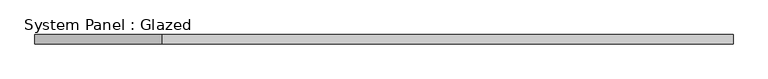
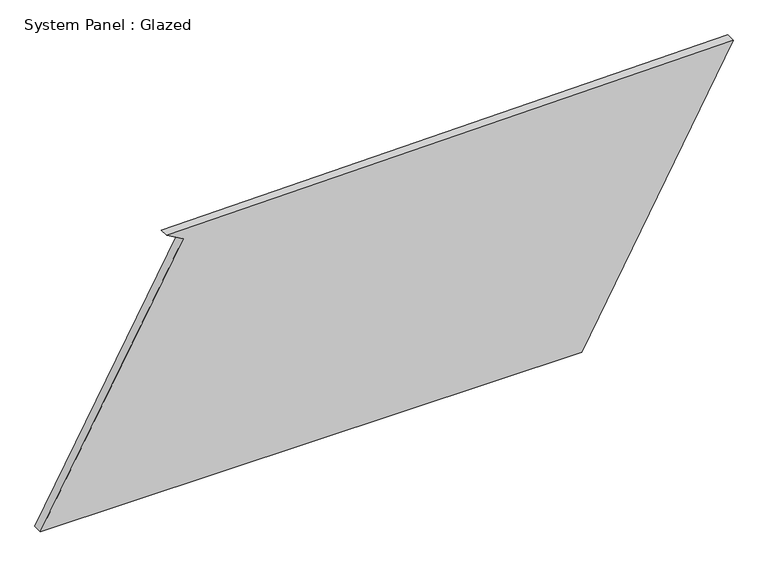
"""IFC4 building model written with IfcOpenShell, lengths in millimetres: plate geometry, System Panel : Glazed."""

from ifc_helpers import new_model, si_unit, frame, origin, place, context, project, spatial, polyline, outline, extrude, source, transform, mapped, element, save


def system_panel_glazed_ee753589(model_context):
    return source(origin(), model_context, "Body", "SweptSolid", [
        extrude(outline(polyline([(0.0, -917.3016299), (0.0, 516.1055688), (733.3944784, 917.3016299), (712.2779962, -583.1552651), (688.20861, -539.3298769), (0.0, -917.3016299)])), frame((0.0, -49.5, 0.0), z_axis=(0.0, 1.0, 0.0), x_axis=(0.0, 0.0, 1.0)), (0.0, 0.0, 1.0), 25.0),
    ])


if __name__ == "__main__":
    model = new_model("IFC4")
    model_context = context("Model", 3, world=origin())
    ifc_project = project(units=[si_unit("LENGTHUNIT", "METRE", prefix="MILLI")], contexts=[model_context])
    site = spatial("IfcSite", under=ifc_project)
    building = spatial("IfcBuilding", under=site)
    placement = place(None, origin())
    system_panel_glazed_shape = system_panel_glazed_ee753589(model_context)
    element("IfcPlate", 1, ObjectType="System Panel : Glazed", at=placement, inside=building, context=model_context, shape_type="MappedRepresentation", body=[
        mapped(system_panel_glazed_shape, transform((0.0, 0.0, 0.0), x_axis=(1.0, 0.0, 0.0), y_axis=(0.0, 1.0, 0.0), z_axis=(0.0, 0.0, 1.0))),
    ])
    save(model, "model.ifc")
